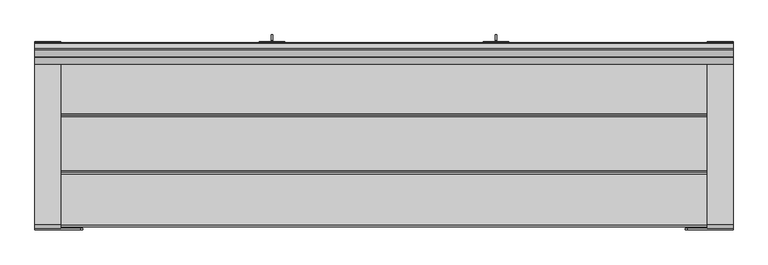
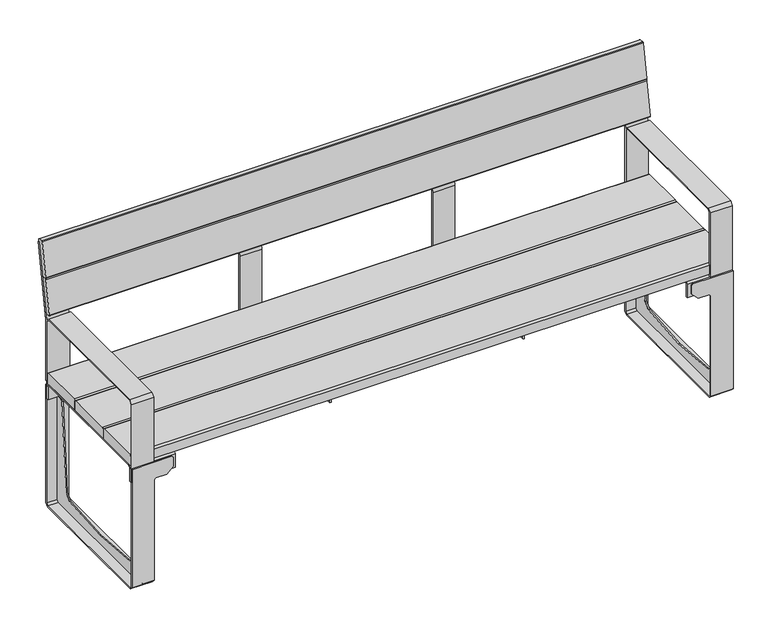
"""IFC4 building model written with IfcOpenShell, lengths in millimetres: furniture geometry."""

import ifcopenshell
import ifcopenshell.guid

model = None  # the IFC model being written
_history = None  # IfcOwnerHistory: only IFC2X3 demands one
_inside = {}  # id of a spatial element -> (the spatial element, [elements in it])
_under = {}  # id of a project, library or spatial element -> (it, [spatial elements below it])
_declared = {}  # id of a project -> (the project, [libraries it declares])
_typed = {}  # id of a type object -> (the type object, [elements of that type])
_made_of = {}  # id of a material, layer set ... -> (it, [elements and type objects made of it])


def new_model(schema):
    """Start an empty IFC model of exactly this schema.

    Asked for "IFC4X3", IfcOpenShell would pick the latest addendum, in which some entities
    have other attributes; the version numbers below select the first issue.
    IFC2X3 requires an IfcOwnerHistory on every rooted entity: one is made here for all.
    """
    global model, _history
    if schema == "IFC4X3":
        model = ifcopenshell.file(schema_version=(4, 3, 0, 0))
    else:
        model = ifcopenshell.file(schema=schema)
    _inside.clear()
    _under.clear()
    _declared.clear()
    _typed.clear()
    _made_of.clear()
    _history = None
    if model.schema == "IFC2X3":
        org = make("IfcOrganization", Name="unknown")
        user = make(
            "IfcPersonAndOrganization",
            ThePerson=make("IfcPerson", FamilyName="unknown"),
            TheOrganization=org,
        )
        app = make(
            "IfcApplication",
            ApplicationDeveloper=org,
            Version="unknown",
            ApplicationFullName="unknown",
            ApplicationIdentifier="unknown",
        )
        _history = make(
            "IfcOwnerHistory",
            OwningUser=user,
            OwningApplication=app,
            ChangeAction="ADDED",
            CreationDate=0,
        )
    return model


def make(cls, **values):
    """One entity of the class cls with the attributes given. An attribute that is None is left unset."""
    return model.create_entity(
        cls, **{name: value for name, value in values.items() if value is not None}
    )


def rooted(cls, **values):
    """An entity with a GlobalId (a new one), such as an element, a storey or a relation."""
    return make(cls, GlobalId=ifcopenshell.guid.new(), OwnerHistory=_history, **values)


def si_unit(unit_type, name, prefix=None):
    """IfcSIUnit, for example si_unit("LENGTHUNIT", "METRE", prefix="MILLI")."""
    return make("IfcSIUnit", UnitType=unit_type, Prefix=prefix, Name=name)


def assignment(units):
    """IfcUnitAssignment: the units of a project."""
    return None if units is None else make("IfcUnitAssignment", Units=units)


def point(xyz):
    """IfcCartesianPoint."""
    return None if xyz is None else make("IfcCartesianPoint", Coordinates=xyz)


def direction(xyz):
    """IfcDirection."""
    return None if xyz is None else make("IfcDirection", DirectionRatios=xyz)


def frame(location, z_axis=None, x_axis=None):
    """IfcAxis2Placement3D, a coordinate frame: its origin and axes. An axis left out is left unset."""
    return make(
        "IfcAxis2Placement3D",
        Location=point(location),
        Axis=direction(z_axis),
        RefDirection=direction(x_axis),
    )


def frame_2d(location, x_axis=None):
    """IfcAxis2Placement2D, a coordinate frame in the plane: its origin and x axis."""
    return make(
        "IfcAxis2Placement2D", Location=point(location), RefDirection=direction(x_axis)
    )


def origin():
    """The frame at (0, 0, 0) with its axes left unset."""
    return frame((0.0, 0.0, 0.0))


def place(relative_to, where):
    """IfcLocalPlacement: puts the frame where relative to a parent placement (None: the world)."""
    return make(
        "IfcLocalPlacement", PlacementRelTo=relative_to, RelativePlacement=where
    )


def context(
    kind, dimensions, precision=None, world=None, true_north=None, identifier=None
):
    """IfcGeometricRepresentationContext, for example the 3D "Model" context."""
    return make(
        "IfcGeometricRepresentationContext",
        ContextIdentifier=identifier,
        ContextType=kind,
        CoordinateSpaceDimension=dimensions,
        Precision=precision,
        WorldCoordinateSystem=world,
        TrueNorth=true_north,
    )


def project(units=None, contexts=None):
    """IfcProject with its units and contexts."""
    return rooted(
        "IfcProject",
        Name="project",
        RepresentationContexts=contexts,
        UnitsInContext=assignment(units),
    )


def spatial(cls, under=None, at=None, **own):
    """A site, building, storey or space (cls), placed at a placement, below another one or the project."""
    s = rooted(cls, ObjectPlacement=at, **own)
    if under is not None:
        _under.setdefault(under.id(), (under, []))[1].append(s)
    return s


def polyline(points):
    """IfcPolyline through the points."""
    return make("IfcPolyline", Points=[point(p) for p in points])


def circle_curve(where, radius):
    """IfcCircle in the frame where."""
    return make("IfcCircle", Position=where, Radius=radius)


def trimmed(basis, trim1, trim2, sense, master):
    """IfcTrimmedCurve: the piece of a basis curve between two trims."""
    return make(
        "IfcTrimmedCurve",
        BasisCurve=basis,
        Trim1=trim1,
        Trim2=trim2,
        SenseAgreement=sense,
        MasterRepresentation=master,
    )


def segment(curve, same_sense, transition):
    """IfcCompositeCurveSegment."""
    return make(
        "IfcCompositeCurveSegment",
        Transition=transition,
        SameSense=same_sense,
        ParentCurve=curve,
    )


def composite_curve(segments, self_intersect=None):
    """IfcCompositeCurve: segments joined end to end."""
    return make("IfcCompositeCurve", Segments=segments, SelfIntersect=self_intersect)


def outline(outer, holes=None, kind="AREA"):
    """IfcArbitraryClosedProfileDef: a profile drawn as a closed curve; with holes, ...WithVoids."""
    if holes is None:
        return make("IfcArbitraryClosedProfileDef", ProfileType=kind, OuterCurve=outer)
    return make(
        "IfcArbitraryProfileDefWithVoids",
        ProfileType=kind,
        OuterCurve=outer,
        InnerCurves=holes,
    )


def extrude(swept, where, along, depth):
    """IfcExtrudedAreaSolid: the profile swept, set in the frame where, extruded along a direction by depth."""
    return make(
        "IfcExtrudedAreaSolid",
        SweptArea=swept,
        Position=where,
        ExtrudedDirection=direction(along),
        Depth=depth,
    )


def faces_of(points, faces, orient=None, outer=None):
    """IfcFace entities. A face is a list of loops; a loop is a list of indices into points, from 0.

    orient and outer hold one flag for each loop. By default every Orientation is true, the
    first loop of a face is its IfcFaceOuterBound and the others are IfcFaceBound.
    """
    made = []
    for i, loops in enumerate(faces):
        bounds = []
        for j, loop in enumerate(loops):
            is_outer = j == 0 if outer is None else outer[i][j]
            bounds.append(
                make(
                    "IfcFaceOuterBound" if is_outer else "IfcFaceBound",
                    Bound=make("IfcPolyLoop", Polygon=[points[k] for k in loop]),
                    Orientation=True if orient is None else orient[i][j],
                )
            )
        made.append(make("IfcFace", Bounds=bounds))
    return made


def faceted_brep(points, faces, orient=None, outer=None, voids=None):
    """IfcFacetedBrep: a solid bounded by flat faces; with voids (closed shells), ...WithVoids."""
    shared = [point(p) for p in points]
    hull = make("IfcClosedShell", CfsFaces=faces_of(shared, faces, orient, outer))
    if voids is None:
        return make("IfcFacetedBrep", Outer=hull)
    return make(
        "IfcFacetedBrepWithVoids",
        Outer=hull,
        Voids=[
            make(cls, CfsFaces=faces_of(shared, fs, o, b)) for cls, fs, o, b in voids
        ],
    )


def shape(context_of_items, identifier, shape_type, items):
    """IfcShapeRepresentation: the items that make up one representation, for example the "Body"."""
    return make(
        "IfcShapeRepresentation",
        ContextOfItems=context_of_items,
        RepresentationIdentifier=identifier,
        RepresentationType=shape_type,
        Items=items,
    )


def source(mapping_origin, context_of_items, identifier, shape_type, items):
    """IfcRepresentationMap: a shape defined once, which mapped items show again and again."""
    return make(
        "IfcRepresentationMap",
        MappingOrigin=mapping_origin,
        MappedRepresentation=shape(context_of_items, identifier, shape_type, items),
    )


def transform(
    local_origin,
    x_axis=None,
    y_axis=None,
    z_axis=None,
    scale=None,
    scale2=None,
    scale3=None,
    uniform=True,
):
    """IfcCartesianTransformationOperator3D, or its non-uniform kind. x_axis, y_axis, z_axis: its Axis1, 2, 3."""
    if uniform:
        return make(
            "IfcCartesianTransformationOperator3D",
            Axis1=direction(x_axis),
            Axis2=direction(y_axis),
            LocalOrigin=point(local_origin),
            Scale=scale,
            Axis3=direction(z_axis),
        )
    return make(
        "IfcCartesianTransformationOperator3DnonUniform",
        Axis1=direction(x_axis),
        Axis2=direction(y_axis),
        LocalOrigin=point(local_origin),
        Scale=scale,
        Axis3=direction(z_axis),
        Scale2=scale2,
        Scale3=scale3,
    )


def mapped(mapping_source, mapping_target):
    """IfcMappedItem: shows the shape of a source again, moved by a transform."""
    return make(
        "IfcMappedItem", MappingSource=mapping_source, MappingTarget=mapping_target
    )


def made_of(thing, what):
    """Note that an element or type object is made of a material, layer set ...; save() writes the relation."""
    if what is not None:
        _made_of.setdefault(what.id(), (what, []))[1].append(thing)
    return thing


def element(
    cls,
    number,
    at=None,
    inside=None,
    cuts=None,
    type_object=None,
    material=None,
    context=None,
    identifier="Body",
    shape_type=None,
    held_by="IfcProductDefinitionShape",
    body=None,
    shapes=None,
    **own,
):
    """One element of the class cls, such as IfcWall. Its Tag is "e" and its number.

    at: its placement. inside: the storey or other place that contains it. cuts: it is an
    opening in that element (IfcRelVoidsElement). A single representation is given by context,
    identifier, shape_type and body (its items); several are given by shapes. held_by: the class
    of the entity that holds the representations. save() writes the other relations.
    """
    e = rooted(cls, Tag="e%d" % number, ObjectPlacement=at, **own)
    if body is not None:
        shapes = [shape(context, identifier, shape_type, body)]
    if shapes is not None:
        e.Representation = make(held_by, Representations=shapes)
    if inside is not None:
        _inside.setdefault(inside.id(), (inside, []))[1].append(e)
    if cuts is not None:
        rooted(
            "IfcRelVoidsElement", RelatingBuildingElement=cuts, RelatedOpeningElement=e
        )
    if type_object is not None:
        _typed.setdefault(type_object.id(), (type_object, []))[1].append(e)
    return made_of(e, material)


def aggregate(whole, parts):
    """IfcRelAggregates: a whole, such as a stair, and the parts it consists of."""
    return rooted("IfcRelAggregates", RelatingObject=whole, RelatedObjects=parts)


def save(model, path):
    """Write the relations noted so far, then the file.

    IfcRelAggregates (storeys below a building ...), IfcRelContainedInSpatialStructure (elements
    in a storey), IfcRelDefinesByType, IfcRelAssociatesMaterial and IfcRelDeclares: one each for
    every whole, place, type object, material and project.
    """
    for whole, parts in _under.values():
        aggregate(whole, parts)
    for where, things in _inside.values():
        rooted(
            "IfcRelContainedInSpatialStructure",
            RelatedElements=things,
            RelatingStructure=where,
        )
    for kind, things in _typed.values():
        rooted("IfcRelDefinesByType", RelatedObjects=things, RelatingType=kind)
    for what, things in _made_of.values():
        rooted("IfcRelAssociatesMaterial", RelatedObjects=things, RelatingMaterial=what)
    for by, libraries in _declared.values():
        rooted("IfcRelDeclares", RelatingContext=by, RelatedDefinitions=libraries)
    model.write(path)


def furniture_09ce8d8c(model_context):
    return source(origin(), model_context, "Body", "SolidModel", [
        faceted_brep([(807.0000875, 217.4999962, 411.9999973), (807.0000875, 227.5000036, 401.99999), (807.0000875, 227.5000036, 357.9999867), (807.0000875, 223.4999933, 357.9999867), (807.0000875, 223.4999933, 401.99999), (807.0000875, 217.4999962, 407.9999871), (807.0000875, -216.4999937, 407.9999871), (807.0000875, -222.4999942, 401.9999866), (807.0000875, -222.4999942, 357.9999867), (807.0000875, -226.4999942, 357.9999867), (807.0000875, -226.4999942, 401.99999), (807.0000875, -216.4999868, 411.9999973), (947.000263, -222.4999942, 357.9999867), (947.000263, -230.4999942, 357.9999867), (877.000466, -230.4999942, 357.9999867), (877.000466, -226.4999942, 357.9999867), (947.000263, -222.4999942, 401.9999866), (947.000263, -216.4999937, 407.9999871), (947.000263, 217.4999962, 407.9999871), (947.000263, 223.4999933, 401.99999), (947.000263, 223.4999933, 357.9999867), (877.000466, 227.5000036, 357.9999867), (877.000466, 231.5000138, 357.9999867), (947.000263, 231.5000138, 357.9999867), (947.000263, 217.4999962, 411.9999973), (947.000263, 227.5000036, 401.99999), (877.000466, 227.5000036, 401.99999), (947.000263, -216.4999868, 411.9999973), (877.000466, -226.4999942, 401.99999), (947.000263, -226.4999942, 401.99999), (877.000466, -220.5000232, 627.999967), (877.000466, 221.5000064, 627.999967), (877.000466, 231.5000138, 618.6620195), (877.000466, 273.1750136, 855.0159794), (877.000466, 277.1140173, 854.3209637), (877.000466, 235.500024, 618.3119682), (877.000466, 235.500024, 416.9999828), (877.000466, 231.5000138, 416.9999828), (877.000466, 227.5000036, 617.999996), (877.000466, 221.5000064, 623.9999931), (877.000466, -220.499997, 623.9999931), (877.000466, -226.4999942, 617.999996), (877.000466, -230.4999942, 617.999996), (947.000263, -220.5000232, 627.999967), (947.000263, -230.4999942, 617.999996), (947.000263, 231.5000138, 416.9999828), (947.000263, 235.500024, 416.9999828), (947.000263, 235.500024, 618.3119682), (947.000263, 277.1140173, 854.3209637), (947.000263, 273.1750136, 855.0159794), (947.000263, 231.5000138, 618.6620195), (947.000263, 221.5000064, 627.999967), (947.000263, 221.5000064, 623.9999931), (947.000263, 227.5000036, 617.999996), (947.000263, -226.4999942, 617.999996), (947.000263, -220.499997, 623.9999931)], [[[0, 1, 2, 3, 4, 5, 6, 7, 8, 9, 10, 11]], [[9, 8, 12, 13, 14, 15]], [[12, 8, 7, 16]], [[16, 7, 6, 17]], [[17, 6, 5, 18]], [[18, 5, 4, 19]], [[19, 4, 3, 20]], [[20, 3, 2, 21, 22, 23]], [[1, 0, 24, 25, 26]], [[24, 0, 11, 27]], [[27, 11, 10, 28, 29]], [[10, 9, 15, 28]], [[2, 1, 26, 21]], [[30, 31, 32, 33, 34, 35, 36, 37, 22, 21, 26, 38, 39, 40, 41, 28, 15, 14, 42]], [[43, 44, 13, 12, 16, 17, 18, 19, 20, 23, 45, 46, 47, 48, 49, 50, 51], [52, 53, 25, 24, 27, 29, 54, 55]], [[30, 42, 44, 43]], [[42, 14, 13, 44]], [[22, 37, 45, 23]], [[37, 36, 46, 45]], [[36, 35, 47, 46]], [[35, 34, 48, 47]], [[34, 33, 49, 48]], [[33, 32, 50, 49]], [[32, 31, 51, 50]], [[31, 30, 43, 51]], [[39, 38, 53, 52]], [[38, 26, 25, 53]], [[28, 41, 54, 29]], [[41, 40, 55, 54]], [[40, 39, 52, 55]]]),
        faceted_brep([(-806.9999695, 217.4999962, 411.9999973), (-806.9999695, -216.4999868, 411.9999973), (-806.9999695, -226.4999942, 401.99999), (-806.9999695, -226.4999942, 357.9999867), (-806.9999695, -222.4999942, 357.9999867), (-806.9999695, -222.4999942, 401.9999866), (-806.9999695, -216.4999937, 407.9999871), (-806.9999695, 217.4999962, 407.9999871), (-806.9999695, 223.4999933, 401.99999), (-806.9999695, 223.4999933, 357.9999867), (-806.9999695, 227.5000036, 357.9999867), (-806.9999695, 227.5000036, 401.99999), (-877.0003479, -226.4999942, 357.9999867), (-877.0003479, -230.4999942, 357.9999867), (-947.0001449, -230.4999942, 357.9999867), (-947.0001449, -222.4999942, 357.9999867), (-947.0001449, -222.4999942, 401.9999866), (-947.0001449, -216.4999937, 407.9999871), (-947.0001449, 217.4999962, 407.9999871), (-947.0001449, 223.4999933, 401.99999), (-947.0001449, 223.4999933, 357.9999867), (-947.0001449, 231.5000138, 357.9999867), (-877.0003479, 231.5000138, 357.9999867), (-877.0003479, 227.5000036, 357.9999867), (-877.0003479, 227.5000036, 401.99999), (-947.0001449, 227.5000036, 401.99999), (-947.0001449, 217.4999962, 411.9999973), (-947.0001449, -216.4999868, 411.9999973), (-947.0001449, -226.4999942, 401.99999), (-877.0003479, -226.4999942, 401.99999), (-877.0003479, -220.5000232, 627.999967), (-877.0003479, -230.4999942, 617.999996), (-877.0003479, -226.4999942, 617.999996), (-877.0003479, -220.499997, 623.9999931), (-877.0003479, 221.5000064, 623.9999931), (-877.0003479, 227.5000036, 617.999996), (-877.0003479, 231.5000138, 416.9999828), (-877.0003479, 235.500024, 416.9999828), (-877.0003479, 235.500024, 618.3119682), (-877.0003479, 277.1140173, 854.3209637), (-877.0003479, 273.1750136, 855.0159794), (-877.0003479, 231.5000138, 618.6620195), (-877.0003479, 221.5000064, 627.999967), (-947.0001449, -220.5000232, 627.999967), (-947.0001449, 221.5000064, 627.999967), (-947.0001449, 231.5000138, 618.6620195), (-947.0001449, 273.1750136, 855.0159794), (-947.0001449, 277.1140173, 854.3209637), (-947.0001449, 235.500024, 618.3119682), (-947.0001449, 235.500024, 416.9999828), (-947.0001449, 231.5000138, 416.9999828), (-947.0001449, -230.4999942, 617.999996), (-947.0001449, 221.5000064, 623.9999931), (-947.0001449, -220.499997, 623.9999931), (-947.0001449, -226.4999942, 617.999996), (-947.0001449, 227.5000036, 617.999996)], [[[0, 1, 2, 3, 4, 5, 6, 7, 8, 9, 10, 11]], [[4, 3, 12, 13, 14, 15]], [[5, 4, 15, 16]], [[6, 5, 16, 17]], [[7, 6, 17, 18]], [[8, 7, 18, 19]], [[9, 8, 19, 20]], [[10, 9, 20, 21, 22, 23]], [[0, 11, 24, 25, 26]], [[1, 0, 26, 27]], [[2, 1, 27, 28, 29]], [[3, 2, 29, 12]], [[11, 10, 23, 24]], [[30, 31, 13, 12, 29, 32, 33, 34, 35, 24, 23, 22, 36, 37, 38, 39, 40, 41, 42]], [[43, 44, 45, 46, 47, 48, 49, 50, 21, 20, 19, 18, 17, 16, 15, 14, 51], [52, 53, 54, 28, 27, 26, 25, 55]], [[31, 30, 43, 51]], [[13, 31, 51, 14]], [[36, 22, 21, 50]], [[37, 36, 50, 49]], [[38, 37, 49, 48]], [[39, 38, 48, 47]], [[40, 39, 47, 46]], [[41, 40, 46, 45]], [[42, 41, 45, 44]], [[30, 42, 44, 43]], [[35, 34, 52, 55]], [[24, 35, 55, 25]], [[32, 29, 28, 54]], [[33, 32, 54, 53]], [[34, 33, 53, 52]]]),
        extrude(outline(polyline([(-216.2999945, 411.9999973), (226.4703062, 411.9999973), (231.5000138, 417.0297049), (231.5000138, 618.6620195), (273.1750136, 855.0159794), (277.1140173, 854.3209637), (235.500024, 618.3119682), (235.500024, 416.9999828), (226.5000283, 407.9999871), (-216.2999945, 407.9999871), (-216.2999945, 411.9999973)])), frame((269.000005, 0.0, 0.0), z_axis=(1.0, 0.0, 0.0), x_axis=(0.0, 1.0, 0.0)), (0.0, 0.0, 1.0), 69.9997971),
        extrude(outline(polyline([(-216.2999945, 411.9999973), (226.4703062, 411.9999973), (231.5000138, 417.0297049), (231.5000138, 618.6620195), (273.1750136, 855.0159794), (277.1140173, 854.3209637), (235.500024, 618.3119682), (235.500024, 416.9999828), (226.5000283, 407.9999871), (-216.2999945, 407.9999871), (-216.2999945, 411.9999973)])), frame((-338.999802, 0.0, 0.0), z_axis=(1.0, 0.0, 0.0), x_axis=(0.0, 1.0, 0.0)), (0.0, 0.0, 1.0), 69.9997971),
        extrude(outline(polyline([(211.4999991, 357.9999867), (231.5000138, 357.9999867), (231.5000138, 9.9999995), (225.5000142, 4.0), (-0.8153985, 4.0), (-224.4999946, 4.0), (-230.4999942, 9.9999995), (-230.4999942, 357.9999867), (-210.4999795, 357.9999867), (-205.1318115, 351.9999896), (-181.8580141, 62.5439658), (-163.4292977, 44.1152494), (0.0, 30.937331), (164.5170248, 44.202957), (182.8580337, 62.5439658), (206.1318311, 351.9999896), (211.4999991, 357.9999867)])), frame((910.0001959, 0.0, 0.0), z_axis=(1.0, 0.0, 0.0), x_axis=(0.0, 1.0, 0.0)), (0.0, 0.0, 1.0), 3.9997559),
        extrude(outline(polyline([(211.4999991, 357.9999867), (231.5000138, 357.9999867), (231.5000138, 9.9999995), (225.5000142, 4.0), (-0.8153985, 4.0), (-224.4999946, 4.0), (-230.4999942, 9.9999995), (-230.4999942, 357.9999867), (-210.4999795, 357.9999867), (-205.1318115, 351.9999896), (-181.8580141, 62.5439658), (-163.4292977, 44.1152494), (0.0, 30.937331), (164.5170248, 44.202957), (182.8580337, 62.5439658), (206.1318311, 351.9999896), (211.4999991, 357.9999867)])), frame((-913.9998337, 0.0, 0.0), z_axis=(1.0, 0.0, 0.0), x_axis=(0.0, 1.0, 0.0)), (0.0, 0.0, 1.0), 3.9997559),
        extrude(outline(composite_curve([segment(trimmed(circle_curve(frame_2d((239.7125566, 757.0312626)), 3.0), [point((239.1916139, 754.076839))], [point((236.7581332, 757.5522066))], False, "CARTESIAN"), True, "CONTINUOUS"), segment(polyline([(236.7581332, 757.5522066), (255.6857663, 864.8962615)]), True, "CONTINUOUS"), segment(trimmed(circle_curve(frame_2d((258.6401897, 864.3753175)), 3.0), [point((255.6857663, 864.8962615))], [point((259.1611323, 867.3297411))], False, "CARTESIAN"), True, "CONTINUOUS"), segment(polyline([(259.1611323, 867.3297411), (271.9039212, 865.0828519)]), True, "CONTINUOUS"), segment(trimmed(circle_curve(frame_2d((271.3829785, 862.1284283)), 3.0), [point((271.9039212, 865.0828519))], [point((274.3374016, 861.6074829))], False, "CARTESIAN"), True, "CONTINUOUS"), segment(polyline([(274.3374016, 861.6074829), (254.8887747, 751.3090162), (239.1916139, 754.076839)]), True, "CONTINUOUS")], self_intersect=False)), frame((-946.9999723, 0.0, 0.0), z_axis=(1.0, 0.0, 0.0), x_axis=(0.0, 1.0, 0.0)), (0.0, 0.0, 1.0), 1893.9999447),
        extrude(outline(composite_curve([segment(trimmed(circle_curve(frame_2d((219.7430883, 643.7783516)), 3.0), [point((219.2221456, 640.823928))], [point((216.7886649, 644.2992956))], False, "CARTESIAN"), True, "CONTINUOUS"), segment(polyline([(216.7886649, 644.2992956), (235.716298, 751.6433506)]), True, "CONTINUOUS"), segment(trimmed(circle_curve(frame_2d((238.6707213, 751.1224066)), 3.0), [point((235.716298, 751.6433506))], [point((239.191664, 754.0768301))], False, "CARTESIAN"), True, "CONTINUOUS"), segment(polyline([(239.191664, 754.0768301), (254.8890847, 751.3089615), (234.9195119, 638.056069), (219.2221456, 640.823928)]), True, "CONTINUOUS")], self_intersect=False)), frame((-946.9999723, 0.0, 0.0), z_axis=(1.0, 0.0, 0.0), x_axis=(0.0, 1.0, 0.0)), (0.0, 0.0, 1.0), 1893.9999447),
        extrude(outline(composite_curve([segment(trimmed(circle_curve(frame_2d((72.2500086, 442.0000049)), 5.0), [point((72.2500086, 447.0000049))], [point((77.2500086, 442.0000049))], False, "CARTESIAN"), True, "CONTINUOUS"), segment(polyline([(77.2500086, 442.0000049), (77.2500086, 411.9999973), (-77.2499995, 411.9999973), (-77.2499995, 442.0000049)]), True, "CONTINUOUS"), segment(trimmed(circle_curve(frame_2d((-72.2499995, 442.0000049)), 5.0), [point((-77.2499995, 442.0000049))], [point((-72.2499995, 447.0000049))], False, "CARTESIAN"), True, "CONTINUOUS"), segment(polyline([(-72.2499995, 447.0000049), (72.2500086, 447.0000049)]), True, "CONTINUOUS")], self_intersect=False)), frame((-946.9999723, 0.0, 0.0), z_axis=(1.0, 0.0, 0.0), x_axis=(0.0, 1.0, 0.0)), (0.0, 0.0, 1.0), 1893.9999447),
        extrude(outline(composite_curve([segment(trimmed(circle_curve(frame_2d((222.5000036, 442.0000049)), 5.0), [point((222.5000036, 447.0000049))], [point((227.5000036, 442.0000049))], False, "CARTESIAN"), True, "CONTINUOUS"), segment(polyline([(227.5000036, 442.0000049), (227.5000036, 411.9999973), (77.2500086, 411.9999973), (77.2500086, 442.0000049)]), True, "CONTINUOUS"), segment(trimmed(circle_curve(frame_2d((82.2500086, 442.0000049)), 5.0), [point((77.2500086, 442.0000049))], [point((82.2500086, 447.0000049))], False, "CARTESIAN"), True, "CONTINUOUS"), segment(polyline([(82.2500086, 447.0000049), (222.5000036, 447.0000049)]), True, "CONTINUOUS")], self_intersect=False)), frame((-946.9999723, 0.0, 0.0), z_axis=(1.0, 0.0, 0.0), x_axis=(0.0, 1.0, 0.0)), (0.0, 0.0, 1.0), 1893.9999447),
        extrude(outline(composite_curve([segment(polyline([(-221.4999942, 447.0000049), (-82.2499995, 447.0000049)]), True, "CONTINUOUS"), segment(trimmed(circle_curve(frame_2d((-82.2499995, 442.0000049)), 5.0), [point((-82.2499995, 447.0000049))], [point((-77.2499995, 442.0000049))], False, "CARTESIAN"), True, "CONTINUOUS"), segment(polyline([(-77.2499995, 442.0000049), (-77.2499995, 411.9999973), (-226.4999942, 411.9999973), (-226.4999942, 442.0000049)]), True, "CONTINUOUS"), segment(trimmed(circle_curve(frame_2d((-221.4999942, 442.0000049)), 5.0), [point((-226.4999942, 442.0000049))], [point((-221.4999942, 447.0000049))], False, "CARTESIAN"), True, "CONTINUOUS")], self_intersect=False)), frame((-946.9999723, 0.0, 0.0), z_axis=(1.0, 0.0, 0.0), x_axis=(0.0, 1.0, 0.0)), (0.0, 0.0, 1.0), 1893.9999447),
        faceted_brep([(947.000263, -234.4999942, 404.0000133), (822.0003347, -234.4999942, 404.0000133), (817.0000586, -234.4999942, 398.9997371), (817.0000586, -234.4999942, 370.0000174), (837.0000732, -234.4999942, 350.0000027), (872.0001898, -234.4999942, 350.0000027), (877.0001753, -234.4999942, 345.0000172), (877.000466, -234.4999942, 10.0000005), (947.000263, -234.4999942, 10.0000005), (877.0001753, -230.4999942, 345.0000172), (872.0001898, -230.4999942, 350.0000027), (837.0000732, -230.4999942, 350.0000027), (817.0000586, -230.4999942, 370.0000174), (817.0000586, -230.4999942, 398.9997371), (822.0003347, -230.4999942, 404.0000133), (947.000263, -230.4999942, 404.0000133), (947.000263, -230.4999942, 10.0000005), (877.000466, -230.4999942, 10.0000005), (947.000263, -224.4999936, 0.0), (947.000263, 225.5000199, 0.0), (947.000263, 235.500024, 10.000004), (947.000263, 235.500024, 404.0000133), (947.000263, 231.500024, 404.0000133), (947.000263, 231.5000138, 9.9999995), (947.000263, 225.5000142, 4.0), (947.000263, -224.4999936, 4.0), (877.000466, -224.4999936, 4.0), (877.000466, 225.5000142, 4.0), (877.000466, 231.5000138, 9.9999995), (877.000466, 231.5000138, 345.0000172), (877.000466, 235.500024, 344.9997265), (877.000466, 235.500024, 10.000004), (877.000466, 225.5000199, 0.0), (877.000466, -224.4999936, 0.0), (872.0001898, 235.500024, 350.0000027), (837.0000732, 235.500024, 350.0000027), (817.0000586, 235.500024, 370.0000174), (817.0000586, 235.500024, 398.9997371), (822.0003347, 235.500024, 404.0000133), (822.0003347, 231.5000138, 404.0000133), (817.0000586, 231.5000138, 398.9997371), (817.0000586, 231.5000138, 370.0000174), (837.0000732, 231.5000138, 350.0000027), (872.0001898, 231.5000138, 350.0000027)], [[[0, 1, 2, 3, 4, 5, 6, 7, 8]], [[9, 10, 11, 12, 13, 14, 15, 16, 17]], [[6, 5, 10, 9]], [[5, 4, 11, 10]], [[4, 3, 12, 11]], [[3, 2, 13, 12]], [[2, 1, 14, 13]], [[1, 0, 15, 14]], [[15, 0, 8, 18, 19, 20, 21, 22, 23, 24, 25, 16]], [[26, 27, 28, 29, 30, 31, 32, 33, 7, 6, 9, 17]], [[26, 17, 16, 25]], [[7, 33, 18, 8]], [[33, 32, 19, 18]], [[32, 31, 20, 19]], [[21, 20, 31, 30, 34, 35, 36, 37, 38]], [[28, 23, 22, 39, 40, 41, 42, 43, 29]], [[28, 27, 24, 23]], [[27, 26, 25, 24]], [[34, 30, 29, 43]], [[35, 34, 43, 42]], [[36, 35, 42, 41]], [[37, 36, 41, 40]], [[38, 37, 40, 39]], [[21, 38, 39, 22]]]),
        faceted_brep([(-877.0003479, -224.4999936, 4.0), (-877.0003479, -230.4999942, 10.0000005), (-877.0003479, -230.4999942, 345.0000172), (-877.0003479, -234.4999942, 344.9997265), (-877.0003479, -234.4999942, 10.0000005), (-877.0003479, -224.4999936, 0.0), (-877.0003479, 225.5000199, 0.0), (-877.0003479, 235.500024, 10.000004), (-877.0003479, 235.500024, 345.0000172), (-877.0003479, 231.5000138, 344.9997265), (-877.0003479, 231.5000138, 9.9999995), (-877.0003479, 225.5000142, 4.0), (-947.0001449, -224.4999936, 4.0), (-947.0001449, 225.5000142, 4.0), (-947.0001449, 231.5000138, 9.9999995), (-947.0001449, 231.500024, 404.0000133), (-947.0001449, 235.500024, 404.0000133), (-947.0001449, 235.500024, 10.000004), (-947.0001449, 225.5000199, 0.0), (-947.0001449, -224.4999936, 0.0), (-947.0001449, -234.4999942, 10.0000005), (-947.0001449, -234.4999942, 404.0000133), (-947.0001449, -230.4999942, 404.0000133), (-947.0001449, -230.4999942, 10.0000005), (-822.0002167, -230.4999942, 404.0000133), (-816.9999405, -230.4999942, 398.9997371), (-816.9999405, -230.4999942, 370.0000174), (-836.9999552, -230.4999942, 350.0000027), (-872.0000717, -230.4999942, 350.0000027), (-872.0000717, -234.4999942, 350.0000027), (-836.9999552, -234.4999942, 350.0000027), (-816.9999405, -234.4999942, 370.0000174), (-816.9999405, -234.4999942, 398.9997371), (-822.0002167, -234.4999942, 404.0000133), (-822.0002167, 235.500024, 404.0000133), (-816.9999405, 235.500024, 398.9997371), (-816.9999405, 235.500024, 370.0000174), (-836.9999552, 235.500024, 350.0000027), (-872.0000717, 235.500024, 350.0000027), (-872.0000717, 231.5000138, 350.0000027), (-836.9999552, 231.5000138, 350.0000027), (-816.9999405, 231.5000138, 370.0000174), (-816.9999405, 231.5000138, 398.9997371), (-822.0002167, 231.5000138, 404.0000133)], [[[0, 1, 2, 3, 4, 5, 6, 7, 8, 9, 10, 11]], [[12, 13, 14, 15, 16, 17, 18, 19, 20, 21, 22, 23]], [[1, 0, 12, 23]], [[2, 1, 23, 22, 24, 25, 26, 27, 28]], [[4, 3, 29, 30, 31, 32, 33, 21, 20]], [[5, 4, 20, 19]], [[6, 5, 19, 18]], [[7, 6, 18, 17]], [[7, 17, 16, 34, 35, 36, 37, 38, 8]], [[15, 14, 10, 9, 39, 40, 41, 42, 43]], [[11, 10, 14, 13]], [[0, 11, 13, 12]], [[29, 3, 2, 28]], [[30, 29, 28, 27]], [[31, 30, 27, 26]], [[32, 31, 26, 25]], [[33, 32, 25, 24]], [[21, 33, 24, 22]], [[8, 38, 39, 9]], [[38, 37, 40, 39]], [[37, 36, 41, 40]], [[36, 35, 42, 41]], [[35, 34, 43, 42]], [[34, 16, 15, 43]]]),
        extrude(outline(polyline([(270.4999952, 615.6705597), (270.4999952, 383.5899219), (249.6276137, 363.608983), (-204.2999934, 383.4278678), (-204.2999934, 407.9999871), (226.5000283, 407.9999871), (235.500024, 416.9999828), (235.500024, 618.3119682), (273.306579, 832.7275135), (279.4678344, 831.6411707), (295.8237765, 809.3344654), (270.4999952, 615.6705597)])), frame((301.9999529, 0.0, 0.0), z_axis=(1.0, 0.0, 0.0), x_axis=(0.0, 1.0, 0.0)), (0.0, 0.0, 1.0), 4.0000465),
        extrude(outline(polyline([(270.4999952, 615.6705597), (270.4999952, 383.5899219), (249.6276137, 363.608983), (-204.2999934, 383.4278678), (-204.2999934, 407.9999871), (226.5000283, 407.9999871), (235.500024, 416.9999828), (235.500024, 618.3119682), (273.306579, 832.7275135), (279.4678344, 831.6411707), (295.8237765, 809.3344654), (270.4999952, 615.6705597)])), frame((-305.9999994, 0.0, 0.0), z_axis=(1.0, 0.0, 0.0), x_axis=(0.0, 1.0, 0.0)), (0.0, 0.0, 1.0), 4.0000465),
    ])


if __name__ == "__main__":
    model = new_model("IFC4")
    model_context = context("Model", 3, world=origin())
    ifc_project = project(units=[si_unit("LENGTHUNIT", "METRE", prefix="MILLI")], contexts=[model_context])
    site = spatial("IfcSite", under=ifc_project)
    building = spatial("IfcBuilding", under=site)
    placement = place(None, origin())
    furniture_shape = furniture_09ce8d8c(model_context)
    element("IfcFurniture", 1, at=placement, inside=building, context=model_context, shape_type="MappedRepresentation", body=[
        mapped(furniture_shape, transform((0.0, 0.0, 0.0), x_axis=(1.0, 0.0, 0.0), y_axis=(0.0, 1.0, 0.0), z_axis=(0.0, 0.0, 1.0))),
    ])
    save(model, "model.ifc")
